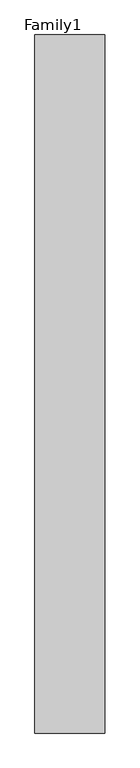
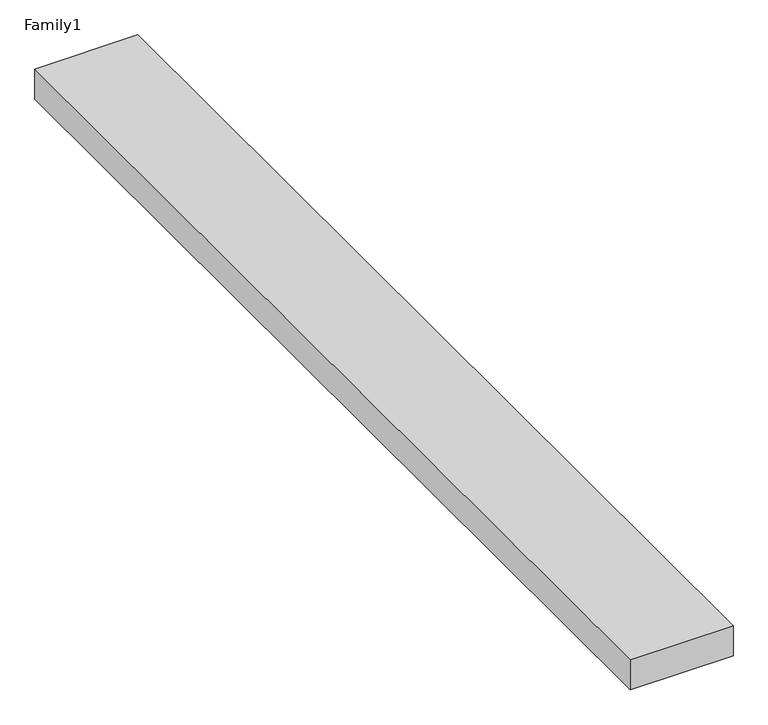
"""IFC4 building model written with IfcOpenShell, lengths in millimetres: proxy geometry, Family1."""

from ifc_helpers import new_model, si_unit, origin, origin_with_axes, place, context, project, spatial, polyline, outline, extrude, source, transform, mapped, element, save


def family1_5bb4e2d3(model_context):
    return source(origin(), model_context, "Body", "SweptSolid", [
        extrude(outline(polyline([(5000.0, 0.0), (0.0, 0.0), (0.0, 50000.0), (5000.0, 50000.0), (5000.0, 0.0)])), origin_with_axes(), (0.0, 0.0, 1.0), 1548.0),
    ])


if __name__ == "__main__":
    model = new_model("IFC4")
    model_context = context("Model", 3, world=origin())
    ifc_project = project(units=[si_unit("LENGTHUNIT", "METRE", prefix="MILLI")], contexts=[model_context])
    site = spatial("IfcSite", under=ifc_project)
    building = spatial("IfcBuilding", under=site)
    placement = place(None, origin())
    family1_shape = family1_5bb4e2d3(model_context)
    element("IfcBuildingElementProxy", 1, Name="Family1", ObjectType="Family1", at=placement, inside=building, context=model_context, shape_type="MappedRepresentation", body=[
        mapped(family1_shape, transform((0.0, 0.0, 0.0), x_axis=(1.0, 0.0, 0.0), y_axis=(0.0, 1.0, 0.0), z_axis=(0.0, 0.0, 1.0))),
    ])
    save(model, "model.ifc")
